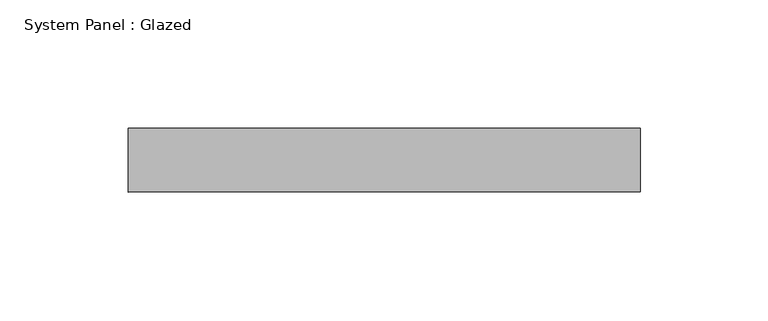
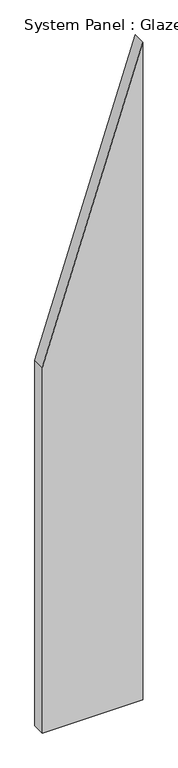
"""IFC4 building model written with IfcOpenShell, lengths in millimetres: plate geometry, System Panel : Glazed."""

from ifc_helpers import new_model, si_unit, frame, origin, place, context, project, spatial, polyline, outline, extrude, source, transform, mapped, element, save


def system_panel_glazed_6e1d5e30(model_context):
    return source(origin(), model_context, "Body", "SweptSolid", [
        extrude(outline(polyline([(0.0, -100.0), (0.0, 100.0), (1384.6153856, 100.0), (769.2307702, -100.0), (0.0, -100.0)])), frame((0.0, 24.5, 0.0), z_axis=(0.0, 1.0, 0.0), x_axis=(0.0, 0.0, 1.0)), (0.0, 0.0, 1.0), 25.0),
    ])


if __name__ == "__main__":
    model = new_model("IFC4")
    model_context = context("Model", 3, world=origin())
    ifc_project = project(units=[si_unit("LENGTHUNIT", "METRE", prefix="MILLI")], contexts=[model_context])
    site = spatial("IfcSite", under=ifc_project)
    building = spatial("IfcBuilding", under=site)
    placement = place(None, origin())
    system_panel_glazed_shape = system_panel_glazed_6e1d5e30(model_context)
    element("IfcPlate", 1, ObjectType="System Panel : Glazed", at=placement, inside=building, context=model_context, shape_type="MappedRepresentation", body=[
        mapped(system_panel_glazed_shape, transform((0.0, 0.0, 0.0), x_axis=(1.0, 0.0, 0.0), y_axis=(0.0, 1.0, 0.0), z_axis=(0.0, 0.0, 1.0))),
    ])
    save(model, "model.ifc")
